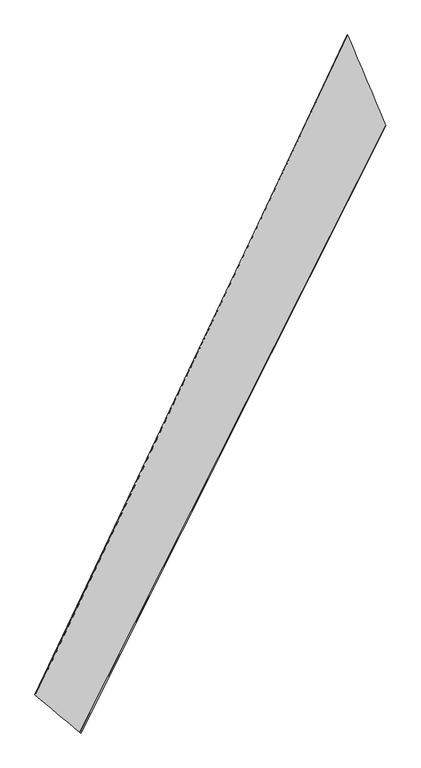
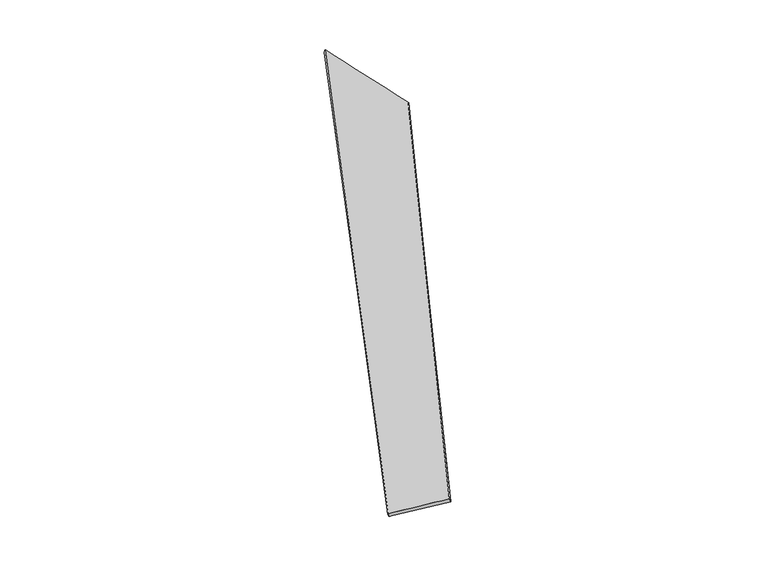
"""IFC4 building model written with IfcOpenShell, lengths in millimetres: proxy geometry."""

import ifcopenshell
import ifcopenshell.guid

model = None  # the IFC model being written
_history = None  # IfcOwnerHistory: only IFC2X3 demands one
_inside = {}  # id of a spatial element -> (the spatial element, [elements in it])
_under = {}  # id of a project, library or spatial element -> (it, [spatial elements below it])
_declared = {}  # id of a project -> (the project, [libraries it declares])
_typed = {}  # id of a type object -> (the type object, [elements of that type])
_made_of = {}  # id of a material, layer set ... -> (it, [elements and type objects made of it])


def new_model(schema):
    """Start an empty IFC model of exactly this schema.

    Asked for "IFC4X3", IfcOpenShell would pick the latest addendum, in which some entities
    have other attributes; the version numbers below select the first issue.
    IFC2X3 requires an IfcOwnerHistory on every rooted entity: one is made here for all.
    """
    global model, _history
    if schema == "IFC4X3":
        model = ifcopenshell.file(schema_version=(4, 3, 0, 0))
    else:
        model = ifcopenshell.file(schema=schema)
    _inside.clear()
    _under.clear()
    _declared.clear()
    _typed.clear()
    _made_of.clear()
    _history = None
    if model.schema == "IFC2X3":
        org = make("IfcOrganization", Name="unknown")
        user = make(
            "IfcPersonAndOrganization",
            ThePerson=make("IfcPerson", FamilyName="unknown"),
            TheOrganization=org,
        )
        app = make(
            "IfcApplication",
            ApplicationDeveloper=org,
            Version="unknown",
            ApplicationFullName="unknown",
            ApplicationIdentifier="unknown",
        )
        _history = make(
            "IfcOwnerHistory",
            OwningUser=user,
            OwningApplication=app,
            ChangeAction="ADDED",
            CreationDate=0,
        )
    return model


def make(cls, **values):
    """One entity of the class cls with the attributes given. An attribute that is None is left unset."""
    return model.create_entity(
        cls, **{name: value for name, value in values.items() if value is not None}
    )


def rooted(cls, **values):
    """An entity with a GlobalId (a new one), such as an element, a storey or a relation."""
    return make(cls, GlobalId=ifcopenshell.guid.new(), OwnerHistory=_history, **values)


def si_unit(unit_type, name, prefix=None):
    """IfcSIUnit, for example si_unit("LENGTHUNIT", "METRE", prefix="MILLI")."""
    return make("IfcSIUnit", UnitType=unit_type, Prefix=prefix, Name=name)


def assignment(units):
    """IfcUnitAssignment: the units of a project."""
    return None if units is None else make("IfcUnitAssignment", Units=units)


def point(xyz):
    """IfcCartesianPoint."""
    return None if xyz is None else make("IfcCartesianPoint", Coordinates=xyz)


def direction(xyz):
    """IfcDirection."""
    return None if xyz is None else make("IfcDirection", DirectionRatios=xyz)


def frame(location, z_axis=None, x_axis=None):
    """IfcAxis2Placement3D, a coordinate frame: its origin and axes. An axis left out is left unset."""
    return make(
        "IfcAxis2Placement3D",
        Location=point(location),
        Axis=direction(z_axis),
        RefDirection=direction(x_axis),
    )


def origin():
    """The frame at (0, 0, 0) with its axes left unset."""
    return frame((0.0, 0.0, 0.0))


def place(relative_to, where):
    """IfcLocalPlacement: puts the frame where relative to a parent placement (None: the world)."""
    return make(
        "IfcLocalPlacement", PlacementRelTo=relative_to, RelativePlacement=where
    )


def context(
    kind, dimensions, precision=None, world=None, true_north=None, identifier=None
):
    """IfcGeometricRepresentationContext, for example the 3D "Model" context."""
    return make(
        "IfcGeometricRepresentationContext",
        ContextIdentifier=identifier,
        ContextType=kind,
        CoordinateSpaceDimension=dimensions,
        Precision=precision,
        WorldCoordinateSystem=world,
        TrueNorth=true_north,
    )


def project(units=None, contexts=None):
    """IfcProject with its units and contexts."""
    return rooted(
        "IfcProject",
        Name="project",
        RepresentationContexts=contexts,
        UnitsInContext=assignment(units),
    )


def spatial(cls, under=None, at=None, **own):
    """A site, building, storey or space (cls), placed at a placement, below another one or the project."""
    s = rooted(cls, ObjectPlacement=at, **own)
    if under is not None:
        _under.setdefault(under.id(), (under, []))[1].append(s)
    return s


def shape(context_of_items, identifier, shape_type, items):
    """IfcShapeRepresentation: the items that make up one representation, for example the "Body"."""
    return make(
        "IfcShapeRepresentation",
        ContextOfItems=context_of_items,
        RepresentationIdentifier=identifier,
        RepresentationType=shape_type,
        Items=items,
    )


def source(mapping_origin, context_of_items, identifier, shape_type, items):
    """IfcRepresentationMap: a shape defined once, which mapped items show again and again."""
    return make(
        "IfcRepresentationMap",
        MappingOrigin=mapping_origin,
        MappedRepresentation=shape(context_of_items, identifier, shape_type, items),
    )


def transform(
    local_origin,
    x_axis=None,
    y_axis=None,
    z_axis=None,
    scale=None,
    scale2=None,
    scale3=None,
    uniform=True,
):
    """IfcCartesianTransformationOperator3D, or its non-uniform kind. x_axis, y_axis, z_axis: its Axis1, 2, 3."""
    if uniform:
        return make(
            "IfcCartesianTransformationOperator3D",
            Axis1=direction(x_axis),
            Axis2=direction(y_axis),
            LocalOrigin=point(local_origin),
            Scale=scale,
            Axis3=direction(z_axis),
        )
    return make(
        "IfcCartesianTransformationOperator3DnonUniform",
        Axis1=direction(x_axis),
        Axis2=direction(y_axis),
        LocalOrigin=point(local_origin),
        Scale=scale,
        Axis3=direction(z_axis),
        Scale2=scale2,
        Scale3=scale3,
    )


def mapped(mapping_source, mapping_target):
    """IfcMappedItem: shows the shape of a source again, moved by a transform."""
    return make(
        "IfcMappedItem", MappingSource=mapping_source, MappingTarget=mapping_target
    )


def made_of(thing, what):
    """Note that an element or type object is made of a material, layer set ...; save() writes the relation."""
    if what is not None:
        _made_of.setdefault(what.id(), (what, []))[1].append(thing)
    return thing


def element(
    cls,
    number,
    at=None,
    inside=None,
    cuts=None,
    type_object=None,
    material=None,
    context=None,
    identifier="Body",
    shape_type=None,
    held_by="IfcProductDefinitionShape",
    body=None,
    shapes=None,
    **own,
):
    """One element of the class cls, such as IfcWall. Its Tag is "e" and its number.

    at: its placement. inside: the storey or other place that contains it. cuts: it is an
    opening in that element (IfcRelVoidsElement). A single representation is given by context,
    identifier, shape_type and body (its items); several are given by shapes. held_by: the class
    of the entity that holds the representations. save() writes the other relations.
    """
    e = rooted(cls, Tag="e%d" % number, ObjectPlacement=at, **own)
    if body is not None:
        shapes = [shape(context, identifier, shape_type, body)]
    if shapes is not None:
        e.Representation = make(held_by, Representations=shapes)
    if inside is not None:
        _inside.setdefault(inside.id(), (inside, []))[1].append(e)
    if cuts is not None:
        rooted(
            "IfcRelVoidsElement", RelatingBuildingElement=cuts, RelatedOpeningElement=e
        )
    if type_object is not None:
        _typed.setdefault(type_object.id(), (type_object, []))[1].append(e)
    return made_of(e, material)


def aggregate(whole, parts):
    """IfcRelAggregates: a whole, such as a stair, and the parts it consists of."""
    return rooted("IfcRelAggregates", RelatingObject=whole, RelatedObjects=parts)


def save(model, path):
    """Write the relations noted so far, then the file.

    IfcRelAggregates (storeys below a building ...), IfcRelContainedInSpatialStructure (elements
    in a storey), IfcRelDefinesByType, IfcRelAssociatesMaterial and IfcRelDeclares: one each for
    every whole, place, type object, material and project.
    """
    for whole, parts in _under.values():
        aggregate(whole, parts)
    for where, things in _inside.values():
        rooted(
            "IfcRelContainedInSpatialStructure",
            RelatedElements=things,
            RelatingStructure=where,
        )
    for kind, things in _typed.values():
        rooted("IfcRelDefinesByType", RelatedObjects=things, RelatingType=kind)
    for what, things in _made_of.values():
        rooted("IfcRelAssociatesMaterial", RelatedObjects=things, RelatingMaterial=what)
    for by, libraries in _declared.values():
        rooted("IfcRelDeclares", RelatingContext=by, RelatedDefinitions=libraries)
    model.write(path)


def spline_surface(u_degree, v_degree, points, u_multiplicities, v_multiplicities, u_knots, v_knots, weights=None):
    """IfcBSplineSurfaceWithKnots; with weights, IfcRationalBSplineSurfaceWithKnots. points: one row for each step in u."""
    own = dict(
        UDegree=u_degree,
        VDegree=v_degree,
        ControlPointsList=[[point(p) for p in row] for row in points],
        SurfaceForm="UNSPECIFIED",
        UClosed=False,
        VClosed=False,
        SelfIntersect=False,
        UMultiplicities=u_multiplicities,
        VMultiplicities=v_multiplicities,
        UKnots=u_knots,
        VKnots=v_knots,
        KnotSpec="UNSPECIFIED",
    )
    if weights is None:
        return make("IfcBSplineSurfaceWithKnots", **own)
    return make("IfcRationalBSplineSurfaceWithKnots", WeightsData=weights, **own)


def advanced_brep(points, edges, surfaces, faces):
    """IfcAdvancedBrep: a solid bounded by faces that lie on surfaces and meet in shared edges.

    An edge is (start, end): straight between two places in points (the first is 0);
    or (start, end, curve); or (start, end, curve, False) where it runs against its curve.
    A face is (place in surfaces, loops), or (place, loops, False) where it looks against
    its surface's normal. A loop lists edges by number (the first is 1), with a minus sign
    where the edge is run from its end to its start. The first loop is the outer one.
    """
    corners = [point(p) for p in points]
    vertices = [make("IfcVertexPoint", VertexGeometry=c) for c in corners]
    made = []
    for start, end, *more in edges:
        made.append(
            make(
                "IfcEdgeCurve",
                EdgeStart=vertices[start],
                EdgeEnd=vertices[end],
                EdgeGeometry=more[0] if more else make("IfcPolyline", Points=[corners[start], corners[end]]),
                SameSense=more[1] if len(more) > 1 else True,
            )
        )
    hull = []
    for where, loops, *sense in faces:
        bounds = []
        for j, loop in enumerate(loops):
            ring = [make("IfcOrientedEdge", EdgeElement=made[abs(k) - 1], Orientation=k > 0) for k in loop]
            bounds.append(
                make(
                    "IfcFaceOuterBound" if j == 0 else "IfcFaceBound",
                    Bound=make("IfcEdgeLoop", EdgeList=ring),
                    Orientation=True,
                )
            )
        hull.append(make("IfcAdvancedFace", Bounds=bounds, FaceSurface=surfaces[where], SameSense=sense[0] if sense else True))
    return make("IfcAdvancedBrep", Outer=make("IfcClosedShell", CfsFaces=hull))


def generic_models_0f14c59a(model_context):
    return source(origin(), model_context, "Body", "AdvancedBrep", [
        advanced_brep(
        [(-1056.6931916, -2676.9560854, 106.4428431), (-1046.7776783, -2682.9689624, 78.7746682), (1553.3181751, 2511.5841032, -111.4336001), (1560.7968523, 2508.8632384, -82.5084159), (-1429.6171622, -2360.3622292, -128.6526521), (1230.8573867, 3287.7112347, 48.0285544), (-1440.7801092, -2355.9323741, -101.1614718), (1236.6764485, 3284.025221, 77.2270445)],
        [
            (0, 1),
            (1, 2),
            (2, 3),
            (3, 0),
            (1, 4),
            (4, 5),
            (5, 2),
            (4, 6),
            (6, 7),
            (7, 5),
            (6, 0),
            (3, 7),
        ],
        [
            spline_surface(1, 1, [[(-1056.6931916, -2676.9560854, 106.4428431), (1560.7968523, 2508.8632384, -82.5084159)], [(-1046.7776783, -2682.9689624, 78.7746682), (1553.3181751, 2511.5841032, -111.4336001)]], [2, 2], [2, 2], [0.0, 1.0], [0.0, 1.0]),
            spline_surface(1, 1, [[(-1046.7776783, -2682.9689624, 78.7746682), (1553.3181751, 2511.5841032, -111.4336001)], [(-1429.6171622, -2360.3622292, -128.6526521), (1230.8573867, 3287.7112347, 48.0285544)]], [2, 2], [2, 2], [0.0, 1.0], [0.0, 1.0]),
            spline_surface(1, 1, [[(-1429.6171622, -2360.3622292, -128.6526521), (1230.8573867, 3287.7112347, 48.0285544)], [(-1440.7801092, -2355.9323741, -101.1614718), (1236.6764485, 3284.025221, 77.2270445)]], [2, 2], [2, 2], [0.0, 1.0], [0.0, 1.0]),
            spline_surface(1, 1, [[(-1440.7801092, -2355.9323741, -101.1614718), (1236.6764485, 3284.025221, 77.2270445)], [(-1056.6931916, -2676.9560854, 106.4428431), (1560.7968523, 2508.8632384, -82.5084159)]], [2, 2], [2, 2], [0.0, 1.0], [0.0, 1.0]),
            spline_surface(1, 1, [[(1553.3181751, 2511.5841032, -111.4336001), (1560.7968523, 2508.8632384, -82.5084159)], [(1230.8573867, 3287.7112347, 48.0285544), (1236.6764485, 3284.025221, 77.2270445)]], [2, 2], [2, 2], [0.0, 1.0], [0.0, 1.0]),
            spline_surface(1, 1, [[(-1440.7801092, -2355.9323741, -101.1614718), (-1056.6931916, -2676.9560854, 106.4428431)], [(-1429.6171622, -2360.3622292, -128.6526521), (-1046.7776783, -2682.9689624, 78.7746682)]], [2, 2], [2, 2], [0.0, 1.0], [0.0, 1.0]),
        ],
        [
            (0, [[1, 2, 3, 4]]),
            (1, [[5, 6, 7, -2]]),
            (2, [[8, 9, 10, -6]]),
            (3, [[11, -4, 12, -9]]),
            (4, [[-3, -7, -10, -12]]),
            (5, [[-11, -8, -5, -1]]),
        ],
    ),
    ])


if __name__ == "__main__":
    model = new_model("IFC4")
    model_context = context("Model", 3, world=origin())
    ifc_project = project(units=[si_unit("LENGTHUNIT", "METRE", prefix="MILLI")], contexts=[model_context])
    site = spatial("IfcSite", under=ifc_project)
    building = spatial("IfcBuilding", under=site)
    placement = place(None, origin())
    generic_models_shape = generic_models_0f14c59a(model_context)
    element("IfcBuildingElementProxy", 1, Name="Generic Models", at=placement, inside=building, context=model_context, shape_type="MappedRepresentation", body=[
        mapped(generic_models_shape, transform((0.0, 0.0, 0.0), x_axis=(1.0, 0.0, 0.0), y_axis=(0.0, 1.0, 0.0), z_axis=(0.0, 0.0, 1.0))),
    ])
    save(model, "model.ifc")
